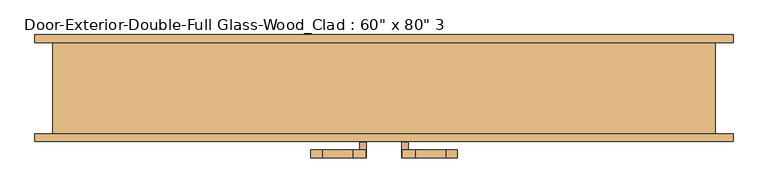
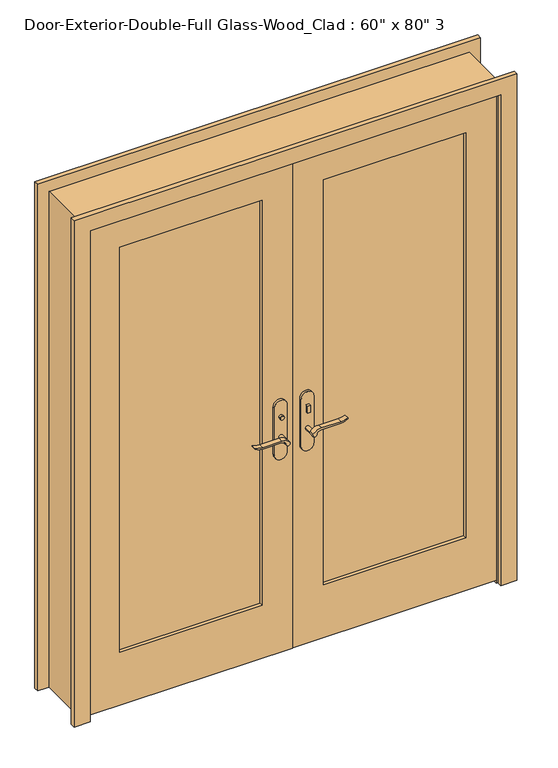
"""IFC4 building model written with IfcOpenShell, lengths in millimetres: door geometry."""

from ifc_helpers import new_model, si_unit, point, frame, frame_2d, origin, place, context, project, spatial, polyline, circle_curve, trimmed, segment, composite_curve, outline, extrude, faceted_brep, source, transform, mapped, element, save


def door_70d74283(model_context):
    return source(origin(), model_context, "Body", "SolidModel", [
        extrude(outline(polyline([(-19.05, 12.7), (6.35, 0.0), (-79.375, 0.0), (-53.975, 12.7), (-19.05, 12.7)])), frame((-800.1, 0.0, 0.0), z_axis=(1.0, 0.0, 0.0), x_axis=(0.0, 1.0, 0.0)), (0.0, 0.0, 1.0), 1600.2),
        extrude(outline(polyline([(-47.4019111, -56.2), (-47.4019111, -66.2), (-57.4019111, -66.2), (-57.4019111, -56.2), (-47.4019111, -56.2)])), frame((0.0, 0.0, 981.9), z_axis=(0.0, 0.0, 1.0), x_axis=(1.0, 0.0, 0.0)), (0.0, 0.0, 1.0), 30.0),
        extrude(outline(composite_curve([segment(trimmed(circle_curve(frame_2d((996.9, -52.4019111)), 8.0), [point((996.9, -60.4019111))], [point((996.9, -44.4019111))], False, "CARTESIAN"), True, "CONTINUOUS"), segment(trimmed(circle_curve(frame_2d((996.9, -52.4019111)), 8.0), [point((996.9, -44.4019111))], [point((996.9, -60.4019111))], False, "CARTESIAN"), True, "CONTINUOUS")], self_intersect=False)), frame((0.0, -131.125, 0.0), z_axis=(0.0, 1.0, 0.0), x_axis=(0.0, 0.0, 1.0)), (0.0, 0.0, 1.0), 10.0),
        extrude(outline(composite_curve([segment(trimmed(circle_curve(frame_2d((897.1555521, -76.0694241)), 37.2832219), [point((919.0523287, -45.8937749))], [point((934.4, -77.7693445))], False, "CARTESIAN"), True, "CONTINUOUS"), segment(polyline([(934.4, -77.7693445), (934.4, -154.045502)]), True, "CONTINUOUS"), segment(trimmed(circle_curve(frame_2d((1017.6850638, -153.9791202)), 83.2850902), [point((934.4, -154.045502))], [point((939.4, -182.4019111))], True, "CARTESIAN"), True, "CONTINUOUS"), segment(polyline([(939.4, -182.4019111), (936.6135558, -182.4019111)]), True, "CONTINUOUS"), segment(trimmed(circle_curve(frame_2d((986.6709207, -150.4622499)), 59.3791355), [point((936.6135558, -182.4019111))], [point((927.4, -154.045502))], False, "CARTESIAN"), True, "CONTINUOUS"), segment(polyline([(927.4, -154.045502), (927.4, -77.7881013)]), True, "CONTINUOUS"), segment(trimmed(circle_curve(frame_2d((909.2738613, -77.7881013)), 18.1261387), [point((927.4, -77.7881013))], [point((914.4, -60.4019111))], True, "CARTESIAN"), True, "CONTINUOUS"), segment(trimmed(circle_curve(frame_2d((914.4, -52.4019111)), 8.0), [point((914.4, -60.4019111))], [point((919.0523287, -45.8937749))], False, "CARTESIAN"), True, "CONTINUOUS")], self_intersect=False)), frame((0.0, -36.2, 0.0), z_axis=(0.0, 1.0, 0.0), x_axis=(0.0, 0.0, 1.0)), (0.0, 0.0, 1.0), 20.0),
        extrude(outline(composite_curve([segment(trimmed(circle_curve(frame_2d((914.4, -52.4019111)), 8.0), [point((914.3999903, -60.4019111))], [point((919.0523287, -45.8937749))], False, "CARTESIAN"), True, "CONTINUOUS"), segment(trimmed(circle_curve(frame_2d((897.1555521, -76.0694241)), 37.2832219), [point((919.0523287, -45.8937749))], [point((934.4, -77.7693445))], False, "CARTESIAN"), True, "CONTINUOUS"), segment(polyline([(934.4, -77.7693445), (934.4, -154.045502)]), True, "CONTINUOUS"), segment(trimmed(circle_curve(frame_2d((1017.6850638, -153.9791202)), 83.2850902), [point((934.4, -154.045502))], [point((939.4, -182.4019111))], True, "CARTESIAN"), True, "CONTINUOUS"), segment(polyline([(939.4, -182.4019111), (936.6135558, -182.4019111)]), True, "CONTINUOUS"), segment(trimmed(circle_curve(frame_2d((986.6709207, -150.4622499)), 59.3791355), [point((936.6135558, -182.4019111))], [point((927.4, -154.045502))], False, "CARTESIAN"), True, "CONTINUOUS"), segment(polyline([(927.4, -154.045502), (927.4, -77.788099)]), True, "CONTINUOUS"), segment(trimmed(circle_curve(frame_2d((909.2738682, -77.788099)), 18.1261318), [point((927.4, -77.788099))], [point((914.3999903, -60.4019111))], True, "CARTESIAN"), True, "CONTINUOUS")], self_intersect=False)), frame((0.0, -171.125, 0.0), z_axis=(0.0, 1.0, 0.0), x_axis=(0.0, 0.0, 1.0)), (0.0, 0.0, 1.0), 20.0),
        extrude(outline(composite_curve([segment(trimmed(circle_curve(frame_2d((914.4, -52.4019111)), 8.0), [point((914.4, -60.4019111))], [point((914.4, -44.4019111))], False, "CARTESIAN"), True, "CONTINUOUS"), segment(trimmed(circle_curve(frame_2d((914.4, -52.4019111)), 8.0), [point((914.4, -44.4019111))], [point((914.4, -60.4019111))], False, "CARTESIAN"), True, "CONTINUOUS")], self_intersect=False)), frame((0.0, -66.2, 0.0), z_axis=(0.0, 1.0, 0.0), x_axis=(0.0, 0.0, 1.0)), (0.0, 0.0, 1.0), 30.0),
        extrude(outline(composite_curve([segment(trimmed(circle_curve(frame_2d((914.4, -52.4019111)), 8.0), [point((914.4, -60.4019111))], [point((914.4, -44.4019111))], False, "CARTESIAN"), True, "CONTINUOUS"), segment(trimmed(circle_curve(frame_2d((914.4, -52.4019111)), 8.0), [point((914.4, -44.4019111))], [point((914.4, -60.4019111))], False, "CARTESIAN"), True, "CONTINUOUS")], self_intersect=False)), frame((0.0, -151.125, 0.0), z_axis=(0.0, 1.0, 0.0), x_axis=(0.0, 0.0, 1.0)), (0.0, 0.0, 1.0), 30.0),
        extrude(outline(composite_curve([segment(polyline([(844.4, -27.4019111), (1039.4, -27.4019111)]), True, "CONTINUOUS"), segment(trimmed(circle_curve(frame_2d((1039.4, -52.4019111)), 25.0), [point((1039.4, -27.4019111))], [point((1039.4, -77.4019111))], False, "CARTESIAN"), True, "CONTINUOUS"), segment(polyline([(1039.4, -77.4019111), (844.4, -77.4019111)]), True, "CONTINUOUS"), segment(trimmed(circle_curve(frame_2d((844.4, -52.4019111)), 25.0), [point((844.4, -77.4019111))], [point((844.4, -27.4019111))], False, "CARTESIAN"), True, "CONTINUOUS")], self_intersect=False)), frame((0.0, -76.2, 0.0), z_axis=(0.0, 1.0, 0.0), x_axis=(0.0, 0.0, 1.0)), (0.0, 0.0, 1.0), 10.0),
        extrude(outline(composite_curve([segment(polyline([(844.4, -27.4019111), (1039.4, -27.4019111)]), True, "CONTINUOUS"), segment(trimmed(circle_curve(frame_2d((1039.4, -52.4019111)), 25.0), [point((1039.4, -27.4019111))], [point((1039.4, -77.4019111))], False, "CARTESIAN"), True, "CONTINUOUS"), segment(polyline([(1039.4, -77.4019111), (844.4, -77.4019111)]), True, "CONTINUOUS"), segment(trimmed(circle_curve(frame_2d((844.4, -52.4019111)), 25.0), [point((844.4, -77.4019111))], [point((844.4, -27.4019111))], False, "CARTESIAN"), True, "CONTINUOUS")], self_intersect=False)), frame((0.0, -121.125, 0.0), z_axis=(0.0, 1.0, 0.0), x_axis=(0.0, 0.0, 1.0)), (0.0, 0.0, 1.0), 10.0),
        extrude(outline(polyline([(47.3875, -131.125), (47.3875, -121.125), (57.3875, -121.125), (57.3875, -131.125), (47.3875, -131.125)])), frame((0.0, 0.0, 981.9), z_axis=(0.0, 0.0, 1.0), x_axis=(1.0, 0.0, 0.0)), (0.0, 0.0, 1.0), 30.0),
        extrude(outline(composite_curve([segment(trimmed(circle_curve(frame_2d((996.9, 52.3875)), 8.0), [point((996.9, 60.3875))], [point((996.9, 44.3875))], False, "CARTESIAN"), True, "CONTINUOUS"), segment(trimmed(circle_curve(frame_2d((996.9, 52.3875)), 8.0), [point((996.9, 44.3875))], [point((996.9, 60.3875))], False, "CARTESIAN"), True, "CONTINUOUS")], self_intersect=False)), frame((0.0, -66.2, 0.0), z_axis=(0.0, 1.0, 0.0), x_axis=(0.0, 0.0, 1.0)), (0.0, 0.0, 1.0), 10.0),
        extrude(outline(composite_curve([segment(trimmed(circle_curve(frame_2d((914.4, 52.3875)), 8.0), [point((919.0523287, 45.8793637))], [point((914.4, 60.3875))], False, "CARTESIAN"), True, "CONTINUOUS"), segment(trimmed(circle_curve(frame_2d((909.2738613, 77.7736901)), 18.1261387), [point((914.4, 60.3875))], [point((927.4, 77.7736901))], True, "CARTESIAN"), True, "CONTINUOUS"), segment(polyline([(927.4, 77.7736901), (927.4, 154.0310909)]), True, "CONTINUOUS"), segment(trimmed(circle_curve(frame_2d((986.6709207, 150.4478388)), 59.3791355), [point((927.4, 154.0310909))], [point((936.6135558, 182.3875))], False, "CARTESIAN"), True, "CONTINUOUS"), segment(polyline([(936.6135558, 182.3875), (939.4, 182.3875)]), True, "CONTINUOUS"), segment(trimmed(circle_curve(frame_2d((1017.6850638, 153.9647091)), 83.2850902), [point((939.4, 182.3875))], [point((934.4, 154.0310909))], True, "CARTESIAN"), True, "CONTINUOUS"), segment(polyline([(934.4, 154.0310909), (934.4, 77.7549333)]), True, "CONTINUOUS"), segment(trimmed(circle_curve(frame_2d((897.1555521, 76.0550129)), 37.2832219), [point((934.4, 77.7549333))], [point((919.0523287, 45.8793637))], False, "CARTESIAN"), True, "CONTINUOUS")], self_intersect=False)), frame((0.0, -171.125, 0.0), z_axis=(0.0, 1.0, 0.0), x_axis=(0.0, 0.0, 1.0)), (0.0, 0.0, 1.0), 20.0),
        extrude(outline(composite_curve([segment(trimmed(circle_curve(frame_2d((909.2738682, 77.7736878)), 18.1261318), [point((914.3999903, 60.3875))], [point((927.4, 77.7736878))], True, "CARTESIAN"), True, "CONTINUOUS"), segment(polyline([(927.4, 77.7736878), (927.4, 154.0310909)]), True, "CONTINUOUS"), segment(trimmed(circle_curve(frame_2d((986.6709207, 150.4478388)), 59.3791355), [point((927.4, 154.0310909))], [point((936.6135558, 182.3875))], False, "CARTESIAN"), True, "CONTINUOUS"), segment(polyline([(936.6135558, 182.3875), (939.4, 182.3875)]), True, "CONTINUOUS"), segment(trimmed(circle_curve(frame_2d((1017.6850638, 153.9647091)), 83.2850902), [point((939.4, 182.3875))], [point((934.4, 154.0310909))], True, "CARTESIAN"), True, "CONTINUOUS"), segment(polyline([(934.4, 154.0310909), (934.4, 77.7549333)]), True, "CONTINUOUS"), segment(trimmed(circle_curve(frame_2d((897.1555521, 76.0550129)), 37.2832219), [point((934.4, 77.7549333))], [point((919.0523287, 45.8793637))], False, "CARTESIAN"), True, "CONTINUOUS"), segment(trimmed(circle_curve(frame_2d((914.4, 52.3875)), 8.0), [point((919.0523287, 45.8793637))], [point((914.3999903, 60.3875))], False, "CARTESIAN"), True, "CONTINUOUS")], self_intersect=False)), frame((0.0, -36.2, 0.0), z_axis=(0.0, 1.0, 0.0), x_axis=(0.0, 0.0, 1.0)), (0.0, 0.0, 1.0), 20.0),
        extrude(outline(composite_curve([segment(trimmed(circle_curve(frame_2d((914.4, 52.3875)), 8.0), [point((914.4, 60.3875))], [point((914.4, 44.3875))], False, "CARTESIAN"), True, "CONTINUOUS"), segment(trimmed(circle_curve(frame_2d((914.4, 52.3875)), 8.0), [point((914.4, 44.3875))], [point((914.4, 60.3875))], False, "CARTESIAN"), True, "CONTINUOUS")], self_intersect=False)), frame((0.0, -151.125, 0.0), z_axis=(0.0, 1.0, 0.0), x_axis=(0.0, 0.0, 1.0)), (0.0, 0.0, 1.0), 30.0),
        extrude(outline(composite_curve([segment(trimmed(circle_curve(frame_2d((914.4, 52.3875)), 8.0), [point((914.4, 60.3875))], [point((914.4, 44.3875))], False, "CARTESIAN"), True, "CONTINUOUS"), segment(trimmed(circle_curve(frame_2d((914.4, 52.3875)), 8.0), [point((914.4, 44.3875))], [point((914.4, 60.3875))], False, "CARTESIAN"), True, "CONTINUOUS")], self_intersect=False)), frame((0.0, -66.2, 0.0), z_axis=(0.0, 1.0, 0.0), x_axis=(0.0, 0.0, 1.0)), (0.0, 0.0, 1.0), 30.0),
        extrude(outline(composite_curve([segment(trimmed(circle_curve(frame_2d((844.4, 52.3875)), 25.0), [point((844.4, 27.3875))], [point((844.4, 77.3875))], False, "CARTESIAN"), True, "CONTINUOUS"), segment(polyline([(844.4, 77.3875), (1039.4, 77.3875)]), True, "CONTINUOUS"), segment(trimmed(circle_curve(frame_2d((1039.4, 52.3875)), 25.0), [point((1039.4, 77.3875))], [point((1039.4, 27.3875))], False, "CARTESIAN"), True, "CONTINUOUS"), segment(polyline([(1039.4, 27.3875), (844.4, 27.3875)]), True, "CONTINUOUS")], self_intersect=False)), frame((0.0, -121.125, 0.0), z_axis=(0.0, 1.0, 0.0), x_axis=(0.0, 0.0, 1.0)), (0.0, 0.0, 1.0), 10.0),
        extrude(outline(composite_curve([segment(trimmed(circle_curve(frame_2d((844.4, 52.3875)), 25.0), [point((844.4, 27.3875))], [point((844.4, 77.3875))], False, "CARTESIAN"), True, "CONTINUOUS"), segment(polyline([(844.4, 77.3875), (1039.4, 77.3875)]), True, "CONTINUOUS"), segment(trimmed(circle_curve(frame_2d((1039.4, 52.3875)), 25.0), [point((1039.4, 77.3875))], [point((1039.4, 27.3875))], False, "CARTESIAN"), True, "CONTINUOUS"), segment(polyline([(1039.4, 27.3875), (844.4, 27.3875)]), True, "CONTINUOUS")], self_intersect=False)), frame((0.0, -76.2, 0.0), z_axis=(0.0, 1.0, 0.0), x_axis=(0.0, 0.0, 1.0)), (0.0, 0.0, 1.0), 10.0),
        extrude(outline(polyline([(0.0, 869.95), (2101.85, 869.95), (2101.85, -869.95), (0.0, -869.95), (0.0, -806.45), (2038.35, -806.45), (2038.35, 806.45), (0.0, 806.45), (0.0, 869.95)])), frame((0.0, -130.175, 0.0), z_axis=(0.0, 1.0, 0.0), x_axis=(0.0, 0.0, 1.0)), (0.0, 0.0, 1.0), 19.05),
        extrude(outline(polyline([(0.0, 869.95), (2101.85, 869.95), (2101.85, -869.95), (0.0, -869.95), (0.0, -806.45), (2038.35, -806.45), (2038.35, 806.45), (0.0, 806.45), (0.0, 869.95)])), frame((0.0, 117.475, 0.0), z_axis=(0.0, 1.0, 0.0), x_axis=(0.0, 0.0, 1.0)), (0.0, 0.0, 1.0), 19.05),
        extrude(outline(polyline([(2032.0, 800.1), (2032.0, 1.5875), (12.7, 1.5875), (12.7, 800.1), (2032.0, 800.1)]), holes=[polyline([(1912.9375, 120.65), (1912.9375, 679.45), (231.775, 679.45), (231.775, 120.65), (1912.9375, 120.65)])]), frame((0.0, -111.125, 0.0), z_axis=(0.0, 1.0, 0.0), x_axis=(0.0, 0.0, 1.0)), (0.0, 0.0, 1.0), 34.925),
        extrude(outline(polyline([(12.7, -800.1), (12.7, -1.6019111), (2032.0, -1.6019111), (2032.0, -800.1), (12.7, -800.1)]), holes=[polyline([(231.775, -679.45), (1912.9375, -679.45), (1912.9375, -120.65), (231.775, -120.65), (231.775, -679.45)])]), frame((0.0, -111.125, 0.0), z_axis=(0.0, 1.0, 0.0), x_axis=(0.0, 0.0, 1.0)), (0.0, 0.0, 1.0), 34.925),
        faceted_brep([(825.5, -111.125, 0.0), (800.1, -111.125, 0.0), (800.1, -76.2, 0.0), (787.4, -76.2, 0.0), (787.4, -41.275, 0.0), (800.1, -41.275, 0.0), (800.1, 117.475, 0.0), (825.5, 117.475, 0.0), (825.5, 117.475, 2057.4), (825.5, -111.125, 2057.4), (800.1, 117.475, 2032.0), (-800.1, 117.475, 2032.0), (-800.1, 117.475, 0.0), (-825.5, 117.475, 0.0), (-825.5, 117.475, 2057.4), (800.1, -41.275, 2032.0), (787.4, -41.275, 2019.3), (-787.4, -41.275, 2019.3), (-787.4, -41.275, 0.0), (-800.1, -41.275, 0.0), (-800.1, -41.275, 2032.0), (787.4, -76.2, 2019.3), (800.1, -76.2, 2032.0), (1.5875, -76.2, 2032.0), (-1.6019111, -76.2, 2032.0), (-800.1, -76.2, 2032.0), (-800.1, -76.2, 0.0), (-787.4, -76.2, 0.0), (-787.4, -76.2, 2019.3), (-1.6019111, -76.2, 2019.3), (1.5875, -76.2, 2019.3), (800.1, -111.125, 2032.0), (-825.5, -111.125, 2057.4), (-825.5, -111.125, 0.0), (-800.1, -111.125, 0.0), (-800.1, -111.125, 2032.0), (-1.6019111, -111.125, 2032.0), (1.5875, -111.125, 2032.0)], [[[0, 1, 2, 3, 4, 5, 6, 7]], [[7, 8, 9, 0]], [[6, 10, 11, 12, 13, 14, 8, 7]], [[5, 15, 10, 6]], [[4, 16, 17, 18, 19, 20, 15, 5]], [[3, 21, 16, 4]], [[2, 22, 23, 24, 25, 26, 27, 28, 29, 30, 21, 3]], [[1, 31, 22, 2]], [[0, 9, 32, 33, 34, 35, 36, 37, 31, 1]], [[8, 14, 32, 9]], [[10, 15, 20, 11]], [[16, 21, 30, 29, 28, 17]], [[31, 37, 36, 35, 25, 24, 23, 22]], [[12, 19, 18, 27, 26, 34, 33, 13]], [[13, 33, 32, 14]], [[11, 20, 19, 12]], [[17, 28, 27, 18]], [[25, 35, 34, 26]]]),
        extrude(outline(polyline([(679.45, -90.17), (679.45, -97.155), (120.65, -97.155), (120.65, -90.17), (679.45, -90.17)])), frame((0.0, 0.0, 231.775), z_axis=(0.0, 0.0, 1.0), x_axis=(1.0, 0.0, 0.0)), (0.0, 0.0, 1.0), 1681.1625),
        extrude(outline(polyline([(-120.65, -90.17), (-120.65, -97.155), (-679.45, -97.155), (-679.45, -90.17), (-120.65, -90.17)])), frame((0.0, 0.0, 231.775), z_axis=(0.0, 0.0, 1.0), x_axis=(1.0, 0.0, 0.0)), (0.0, 0.0, 1.0), 1681.1625),
    ])


if __name__ == "__main__":
    model = new_model("IFC4")
    model_context = context("Model", 3, world=origin())
    ifc_project = project(units=[si_unit("LENGTHUNIT", "METRE", prefix="MILLI")], contexts=[model_context])
    site = spatial("IfcSite", under=ifc_project)
    building = spatial("IfcBuilding", under=site)
    placement = place(None, origin())
    door_shape = door_70d74283(model_context)
    element("IfcDoor", 1, ObjectType="Door-Exterior-Double-Full Glass-Wood_Clad : 60\" x 80\" 3", at=placement, inside=building, context=model_context, shape_type="MappedRepresentation", body=[
        mapped(door_shape, transform((0.0, 0.0, 0.0), x_axis=(1.0, 0.0, 0.0), y_axis=(0.0, 1.0, 0.0), z_axis=(0.0, 0.0, 1.0))),
    ])
    save(model, "model.ifc")
